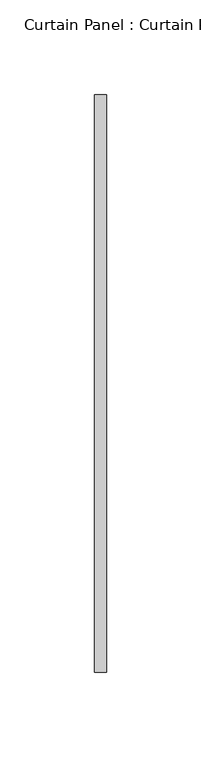
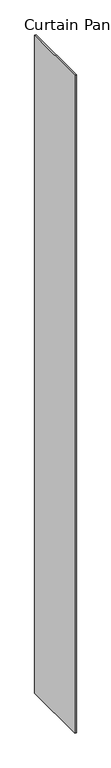
"""IFC4 building model written with IfcOpenShell, lengths in millimetres: plate geometry, Curtain Panel : Curtain Panel."""

import ifcopenshell
import ifcopenshell.guid

model = None  # the IFC model being written
_history = None  # IfcOwnerHistory: only IFC2X3 demands one
_inside = {}  # id of a spatial element -> (the spatial element, [elements in it])
_under = {}  # id of a project, library or spatial element -> (it, [spatial elements below it])
_declared = {}  # id of a project -> (the project, [libraries it declares])
_typed = {}  # id of a type object -> (the type object, [elements of that type])
_made_of = {}  # id of a material, layer set ... -> (it, [elements and type objects made of it])


def new_model(schema):
    """Start an empty IFC model of exactly this schema.

    Asked for "IFC4X3", IfcOpenShell would pick the latest addendum, in which some entities
    have other attributes; the version numbers below select the first issue.
    IFC2X3 requires an IfcOwnerHistory on every rooted entity: one is made here for all.
    """
    global model, _history
    if schema == "IFC4X3":
        model = ifcopenshell.file(schema_version=(4, 3, 0, 0))
    else:
        model = ifcopenshell.file(schema=schema)
    _inside.clear()
    _under.clear()
    _declared.clear()
    _typed.clear()
    _made_of.clear()
    _history = None
    if model.schema == "IFC2X3":
        org = make("IfcOrganization", Name="unknown")
        user = make(
            "IfcPersonAndOrganization",
            ThePerson=make("IfcPerson", FamilyName="unknown"),
            TheOrganization=org,
        )
        app = make(
            "IfcApplication",
            ApplicationDeveloper=org,
            Version="unknown",
            ApplicationFullName="unknown",
            ApplicationIdentifier="unknown",
        )
        _history = make(
            "IfcOwnerHistory",
            OwningUser=user,
            OwningApplication=app,
            ChangeAction="ADDED",
            CreationDate=0,
        )
    return model


def make(cls, **values):
    """One entity of the class cls with the attributes given. An attribute that is None is left unset."""
    return model.create_entity(
        cls, **{name: value for name, value in values.items() if value is not None}
    )


def rooted(cls, **values):
    """An entity with a GlobalId (a new one), such as an element, a storey or a relation."""
    return make(cls, GlobalId=ifcopenshell.guid.new(), OwnerHistory=_history, **values)


def si_unit(unit_type, name, prefix=None):
    """IfcSIUnit, for example si_unit("LENGTHUNIT", "METRE", prefix="MILLI")."""
    return make("IfcSIUnit", UnitType=unit_type, Prefix=prefix, Name=name)


def assignment(units):
    """IfcUnitAssignment: the units of a project."""
    return None if units is None else make("IfcUnitAssignment", Units=units)


def point(xyz):
    """IfcCartesianPoint."""
    return None if xyz is None else make("IfcCartesianPoint", Coordinates=xyz)


def direction(xyz):
    """IfcDirection."""
    return None if xyz is None else make("IfcDirection", DirectionRatios=xyz)


def frame(location, z_axis=None, x_axis=None):
    """IfcAxis2Placement3D, a coordinate frame: its origin and axes. An axis left out is left unset."""
    return make(
        "IfcAxis2Placement3D",
        Location=point(location),
        Axis=direction(z_axis),
        RefDirection=direction(x_axis),
    )


def origin():
    """The frame at (0, 0, 0) with its axes left unset."""
    return frame((0.0, 0.0, 0.0))


def origin_with_axes():
    """The frame at (0, 0, 0) with the z axis (0, 0, 1) and the x axis (1, 0, 0) written out."""
    return frame((0.0, 0.0, 0.0), z_axis=(0.0, 0.0, 1.0), x_axis=(1.0, 0.0, 0.0))


def place(relative_to, where):
    """IfcLocalPlacement: puts the frame where relative to a parent placement (None: the world)."""
    return make(
        "IfcLocalPlacement", PlacementRelTo=relative_to, RelativePlacement=where
    )


def context(
    kind, dimensions, precision=None, world=None, true_north=None, identifier=None
):
    """IfcGeometricRepresentationContext, for example the 3D "Model" context."""
    return make(
        "IfcGeometricRepresentationContext",
        ContextIdentifier=identifier,
        ContextType=kind,
        CoordinateSpaceDimension=dimensions,
        Precision=precision,
        WorldCoordinateSystem=world,
        TrueNorth=true_north,
    )


def project(units=None, contexts=None):
    """IfcProject with its units and contexts."""
    return rooted(
        "IfcProject",
        Name="project",
        RepresentationContexts=contexts,
        UnitsInContext=assignment(units),
    )


def spatial(cls, under=None, at=None, **own):
    """A site, building, storey or space (cls), placed at a placement, below another one or the project."""
    s = rooted(cls, ObjectPlacement=at, **own)
    if under is not None:
        _under.setdefault(under.id(), (under, []))[1].append(s)
    return s


def polyline(points):
    """IfcPolyline through the points."""
    return make("IfcPolyline", Points=[point(p) for p in points])


def outline(outer, holes=None, kind="AREA"):
    """IfcArbitraryClosedProfileDef: a profile drawn as a closed curve; with holes, ...WithVoids."""
    if holes is None:
        return make("IfcArbitraryClosedProfileDef", ProfileType=kind, OuterCurve=outer)
    return make(
        "IfcArbitraryProfileDefWithVoids",
        ProfileType=kind,
        OuterCurve=outer,
        InnerCurves=holes,
    )


def extrude(swept, where, along, depth):
    """IfcExtrudedAreaSolid: the profile swept, set in the frame where, extruded along a direction by depth."""
    return make(
        "IfcExtrudedAreaSolid",
        SweptArea=swept,
        Position=where,
        ExtrudedDirection=direction(along),
        Depth=depth,
    )


def shape(context_of_items, identifier, shape_type, items):
    """IfcShapeRepresentation: the items that make up one representation, for example the "Body"."""
    return make(
        "IfcShapeRepresentation",
        ContextOfItems=context_of_items,
        RepresentationIdentifier=identifier,
        RepresentationType=shape_type,
        Items=items,
    )


def source(mapping_origin, context_of_items, identifier, shape_type, items):
    """IfcRepresentationMap: a shape defined once, which mapped items show again and again."""
    return make(
        "IfcRepresentationMap",
        MappingOrigin=mapping_origin,
        MappedRepresentation=shape(context_of_items, identifier, shape_type, items),
    )


def transform(
    local_origin,
    x_axis=None,
    y_axis=None,
    z_axis=None,
    scale=None,
    scale2=None,
    scale3=None,
    uniform=True,
):
    """IfcCartesianTransformationOperator3D, or its non-uniform kind. x_axis, y_axis, z_axis: its Axis1, 2, 3."""
    if uniform:
        return make(
            "IfcCartesianTransformationOperator3D",
            Axis1=direction(x_axis),
            Axis2=direction(y_axis),
            LocalOrigin=point(local_origin),
            Scale=scale,
            Axis3=direction(z_axis),
        )
    return make(
        "IfcCartesianTransformationOperator3DnonUniform",
        Axis1=direction(x_axis),
        Axis2=direction(y_axis),
        LocalOrigin=point(local_origin),
        Scale=scale,
        Axis3=direction(z_axis),
        Scale2=scale2,
        Scale3=scale3,
    )


def mapped(mapping_source, mapping_target):
    """IfcMappedItem: shows the shape of a source again, moved by a transform."""
    return make(
        "IfcMappedItem", MappingSource=mapping_source, MappingTarget=mapping_target
    )


def made_of(thing, what):
    """Note that an element or type object is made of a material, layer set ...; save() writes the relation."""
    if what is not None:
        _made_of.setdefault(what.id(), (what, []))[1].append(thing)
    return thing


def element(
    cls,
    number,
    at=None,
    inside=None,
    cuts=None,
    type_object=None,
    material=None,
    context=None,
    identifier="Body",
    shape_type=None,
    held_by="IfcProductDefinitionShape",
    body=None,
    shapes=None,
    **own,
):
    """One element of the class cls, such as IfcWall. Its Tag is "e" and its number.

    at: its placement. inside: the storey or other place that contains it. cuts: it is an
    opening in that element (IfcRelVoidsElement). A single representation is given by context,
    identifier, shape_type and body (its items); several are given by shapes. held_by: the class
    of the entity that holds the representations. save() writes the other relations.
    """
    e = rooted(cls, Tag="e%d" % number, ObjectPlacement=at, **own)
    if body is not None:
        shapes = [shape(context, identifier, shape_type, body)]
    if shapes is not None:
        e.Representation = make(held_by, Representations=shapes)
    if inside is not None:
        _inside.setdefault(inside.id(), (inside, []))[1].append(e)
    if cuts is not None:
        rooted(
            "IfcRelVoidsElement", RelatingBuildingElement=cuts, RelatedOpeningElement=e
        )
    if type_object is not None:
        _typed.setdefault(type_object.id(), (type_object, []))[1].append(e)
    return made_of(e, material)


def aggregate(whole, parts):
    """IfcRelAggregates: a whole, such as a stair, and the parts it consists of."""
    return rooted("IfcRelAggregates", RelatingObject=whole, RelatedObjects=parts)


def save(model, path):
    """Write the relations noted so far, then the file.

    IfcRelAggregates (storeys below a building ...), IfcRelContainedInSpatialStructure (elements
    in a storey), IfcRelDefinesByType, IfcRelAssociatesMaterial and IfcRelDeclares: one each for
    every whole, place, type object, material and project.
    """
    for whole, parts in _under.values():
        aggregate(whole, parts)
    for where, things in _inside.values():
        rooted(
            "IfcRelContainedInSpatialStructure",
            RelatedElements=things,
            RelatingStructure=where,
        )
    for kind, things in _typed.values():
        rooted("IfcRelDefinesByType", RelatedObjects=things, RelatingType=kind)
    for what, things in _made_of.values():
        rooted("IfcRelAssociatesMaterial", RelatedObjects=things, RelatingMaterial=what)
    for by, libraries in _declared.values():
        rooted("IfcRelDeclares", RelatingContext=by, RelatedDefinitions=libraries)
    model.write(path)


def curtain_panel_curtain_panel_353e1b64(model_context):
    return source(origin(), model_context, "Body", "SweptSolid", [
        extrude(outline(polyline([(-9743.6110898, 2092.9999475), (-9743.6110898, 2397.8539999), (-9737.2610898, 2397.8539999), (-9737.2610898, 2092.9999475), (-9743.6110898, 2092.9999475)])), origin_with_axes(), (0.0, 0.0, 1.0), 3048.0),
    ])


if __name__ == "__main__":
    model = new_model("IFC4")
    model_context = context("Model", 3, world=origin())
    ifc_project = project(units=[si_unit("LENGTHUNIT", "METRE", prefix="MILLI")], contexts=[model_context])
    site = spatial("IfcSite", under=ifc_project)
    building = spatial("IfcBuilding", under=site)
    placement = place(None, origin())
    curtain_panel_curtain_panel_shape = curtain_panel_curtain_panel_353e1b64(model_context)
    element("IfcPlate", 1, ObjectType="Curtain Panel : Curtain Panel", at=placement, inside=building, context=model_context, shape_type="MappedRepresentation", body=[
        mapped(curtain_panel_curtain_panel_shape, transform((0.0, 0.0, 0.0), x_axis=(1.0, 0.0, 0.0), y_axis=(0.0, 1.0, 0.0), z_axis=(0.0, 0.0, 1.0))),
    ])
    save(model, "model.ifc")
